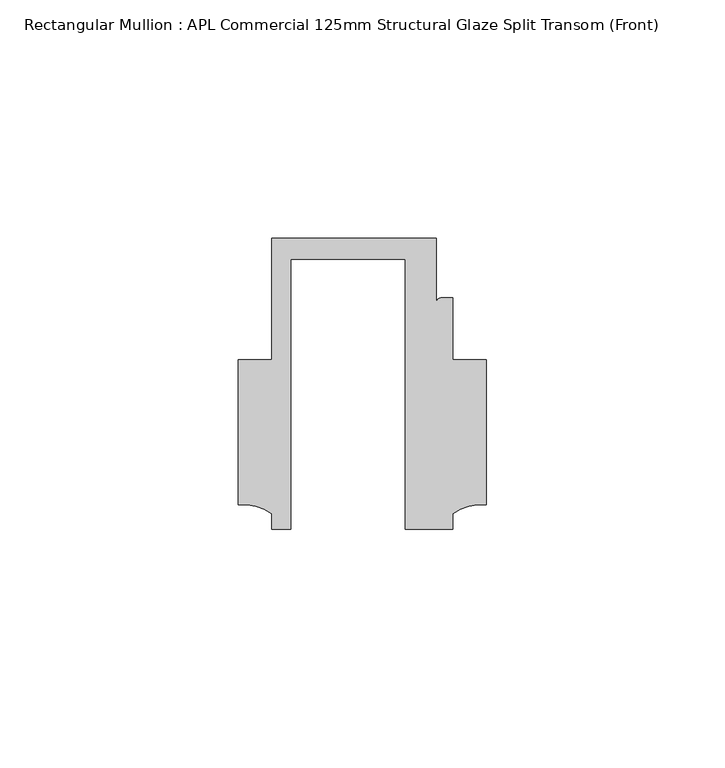
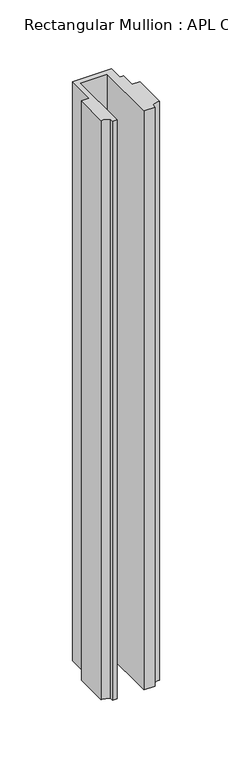
"""IFC4 building model written with IfcOpenShell, lengths in millimetres: member geometry, Rectangular Mullion : APL Commercial 125mm Structural Glaze Split Transom (Front)."""

from ifc_helpers import new_model, si_unit, point, frame, frame_2d, origin, place, context, project, spatial, polyline, circle_curve, trimmed, segment, composite_curve, outline, extrude, source, transform, mapped, element, save


def rectangular_mullion_apl_commercial_125mm_structural_glaze_3c105a1b(model_context):
    return source(origin(), model_context, "Body", "SweptSolid", [
        extrude(outline(composite_curve([segment(polyline([(-24.0309529, -20.5), (-28.0000482, -20.5), (-28.0000482, -17.3123419)]), True, "CONTINUOUS"), segment(trimmed(circle_curve(frame_2d((-34.10985, -25.7980019)), 10.4563907), [point((-28.0000482, -17.3123419))], [point((-34.9999873, -15.3795682))], True, "CARTESIAN"), True, "CONTINUOUS"), segment(polyline([(-34.9999873, -15.3795682), (-34.9999873, 15.001276), (-28.0000482, 15.001276), (-28.0000482, 40.499932), (6.5000029, 40.499932), (6.5000029, 27.0002131)]), True, "CONTINUOUS"), segment(trimmed(circle_curve(frame_2d((7.5000029, 27.0002131)), 1.0), [point((6.5000029, 27.0002131))], [point((7.5000029, 28.0002131))], False, "CARTESIAN"), True, "CONTINUOUS"), segment(polyline([(7.5000029, 28.0002131), (10.0000029, 28.0002131), (10.0000029, 15.0004617), (16.999942, 15.0004617), (16.999942, -15.3793686)]), True, "CONTINUOUS"), segment(trimmed(circle_curve(frame_2d((16.1098048, -25.7978024)), 10.4563907), [point((16.999942, -15.3793686))], [point((10.0000029, -17.3121423))], True, "CARTESIAN"), True, "CONTINUOUS"), segment(polyline([(10.0000029, -17.3121423), (10.0000029, -20.5), (0.0, -20.5), (0.0, 36.1008577), (-24.0309529, 36.1008577), (-24.0309529, -20.5)]), True, "CONTINUOUS")], self_intersect=False)), frame((0.0, 0.0, -543.5830712), z_axis=(0.0, 0.0, 1.0), x_axis=(1.0, 0.0, 0.0)), (0.0, 0.0, 1.0), 543.5830712),
    ])


if __name__ == "__main__":
    model = new_model("IFC4")
    model_context = context("Model", 3, world=origin())
    ifc_project = project(units=[si_unit("LENGTHUNIT", "METRE", prefix="MILLI")], contexts=[model_context])
    site = spatial("IfcSite", under=ifc_project)
    building = spatial("IfcBuilding", under=site)
    placement = place(None, origin())
    rectangular_mullion_apl_commercial_125mm_structural_glaze_shape = rectangular_mullion_apl_commercial_125mm_structural_glaze_3c105a1b(model_context)
    element("IfcMember", 1, ObjectType="Rectangular Mullion : APL Commercial 125mm Structural Glaze Split Transom (Front)", at=placement, inside=building, context=model_context, shape_type="MappedRepresentation", body=[
        mapped(rectangular_mullion_apl_commercial_125mm_structural_glaze_shape, transform((0.0, 0.0, 0.0), x_axis=(1.0, 0.0, 0.0), y_axis=(0.0, 1.0, 0.0), z_axis=(0.0, 0.0, 1.0))),
    ])
    save(model, "model.ifc")
